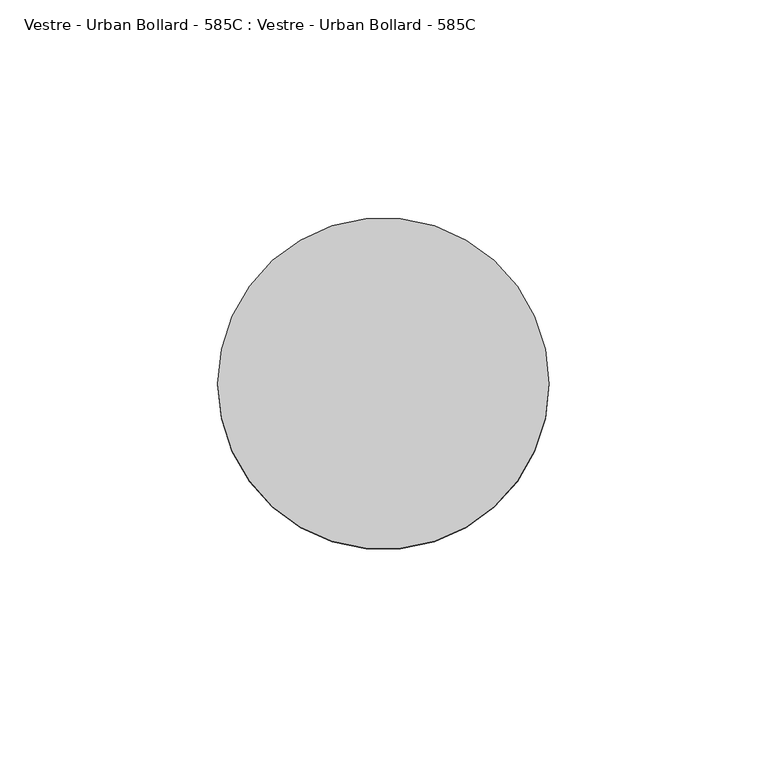
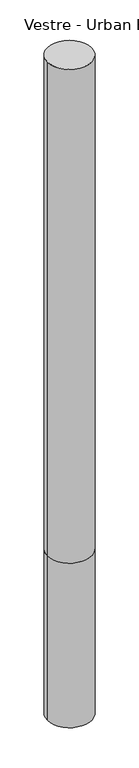
"""IFC4 building model written with IfcOpenShell, lengths in millimetres: furniture geometry, Vestre - Urban Bollard - 585C : Vestre - Urban Bollard - 585C."""

from ifc_helpers import new_model, si_unit, point, frame, origin, origin_with_axes, origin_2d, place, context, project, spatial, circle_curve, trimmed, segment, composite_curve, outline, extrude, source, transform, mapped, element, save


def vestre_urban_bollard_585c_vestre_urban_bollard_585c_8ff0f745(model_context):
    return source(origin(), model_context, "Body", "SweptSolid", [
        extrude(outline(composite_curve([segment(trimmed(circle_curve(origin_2d(), 38.0130048), [point((-38.0130048, 0.0))], [point((38.0130048, 0.0))], False, "CARTESIAN"), True, "CONTINUOUS"), segment(trimmed(circle_curve(origin_2d(), 38.0130048), [point((38.0130048, 0.0))], [point((-38.0130048, 0.0))], False, "CARTESIAN"), True, "CONTINUOUS")], self_intersect=False)), origin_with_axes(), (0.0, 0.0, 1.0), 900.0),
        extrude(outline(composite_curve([segment(trimmed(circle_curve(origin_2d(), 38.0130048), [point((-38.0130048, 0.0))], [point((38.0130048, 0.0))], False, "CARTESIAN"), True, "CONTINUOUS"), segment(trimmed(circle_curve(origin_2d(), 38.0130048), [point((38.0130048, 0.0))], [point((-38.0130048, 0.0))], False, "CARTESIAN"), True, "CONTINUOUS")], self_intersect=False)), frame((0.0, 0.0, -300.0), z_axis=(0.0, 0.0, 1.0), x_axis=(1.0, 0.0, 0.0)), (0.0, 0.0, 1.0), 300.0),
    ])


if __name__ == "__main__":
    model = new_model("IFC4")
    model_context = context("Model", 3, world=origin())
    ifc_project = project(units=[si_unit("LENGTHUNIT", "METRE", prefix="MILLI")], contexts=[model_context])
    site = spatial("IfcSite", under=ifc_project)
    building = spatial("IfcBuilding", under=site)
    placement = place(None, origin())
    vestre_urban_bollard_585c_vestre_urban_bollard_585c_shape = vestre_urban_bollard_585c_vestre_urban_bollard_585c_8ff0f745(model_context)
    element("IfcFurniture", 1, ObjectType="Vestre - Urban Bollard - 585C : Vestre - Urban Bollard - 585C", at=placement, inside=building, context=model_context, shape_type="MappedRepresentation", body=[
        mapped(vestre_urban_bollard_585c_vestre_urban_bollard_585c_shape, transform((0.0, 0.0, 0.0), x_axis=(1.0, 0.0, 0.0), y_axis=(0.0, 1.0, 0.0), z_axis=(0.0, 0.0, 1.0))),
    ])
    save(model, "model.ifc")
